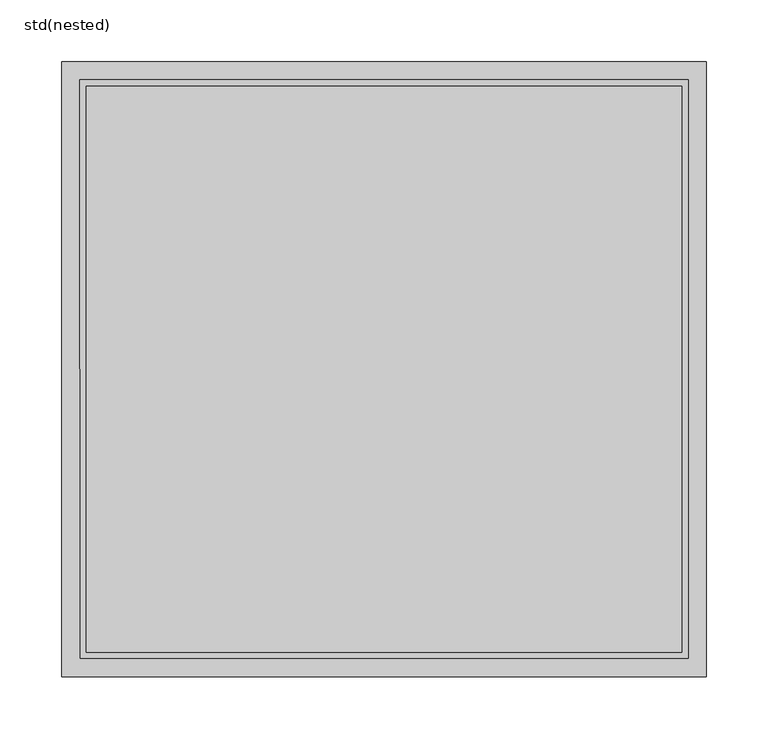
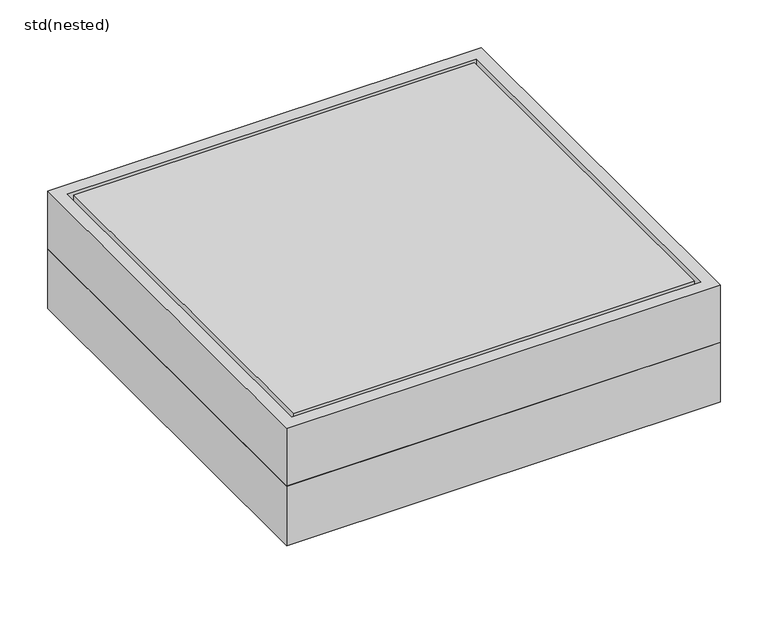
"""IFC4 building model written with IfcOpenShell, lengths in millimetres: sanitary terminal geometry, std(nested)."""

from ifc_helpers import new_model, si_unit, point, frame, origin, origin_2d, place, context, project, spatial, polyline, circle_curve, trimmed, segment, composite_curve, outline, extrude, source, transform, mapped, element, save
from ifc_brep_helpers import plane_surface, cylinder_surface, revolved_surface, advanced_brep


def std_nested_9fcddc13(model_context):
    return source(origin(), model_context, "Body", "SolidModel", [
        extrude(outline(polyline([(-262.0, 250.0), (262.0, 250.0), (262.0, -250.0), (-262.0, -250.0), (-262.0, 250.0)]), holes=[composite_curve([segment(trimmed(circle_curve(origin_2d(), 184.0), [point((184.0, 0.0))], [point((-184.0, 0.0))], True, "CARTESIAN"), True, "CONTINUOUS"), segment(trimmed(circle_curve(origin_2d(), 184.0), [point((-184.0, 0.0))], [point((184.0, 0.0))], True, "CARTESIAN"), True, "CONTINUOUS")], self_intersect=False)]), frame((0.0, 0.0, -150.0), z_axis=(0.0, 0.0, 1.0), x_axis=(1.0, 0.0, 0.0)), (0.0, 0.0, 1.0), 76.0),
        advanced_brep(
        [(184.0, 0.0, -180.0), (-184.0, 0.0, -180.0), (175.5, 0.0, -180.0), (-175.5, 0.0, -180.0), (-175.5, 0.0, -150.0), (175.5, 0.0, -150.0), (-184.0, 0.0, -150.0), (184.0, 0.0, -150.0), (-175.5, 0.0, -74.0), (175.5, 0.0, -74.0), (-184.0, 0.0, -74.0), (184.0, 0.0, -74.0)],
        [
            (0, 1, circle_curve(frame((0.0, 0.0, -180.0), z_axis=(0.0, 0.0, -1.0), x_axis=(-1.0, 0.0, 0.0)), 184.0)),
            (1, 0, circle_curve(frame((0.0, 0.0, -180.0), z_axis=(0.0, 0.0, -1.0), x_axis=(-1.0, 0.0, 0.0)), 184.0)),
            (2, 3, circle_curve(frame((0.0, 0.0, -180.0), z_axis=(0.0, 0.0, 1.0), x_axis=(-1.0, 0.0, 0.0)), 175.5)),
            (3, 2, circle_curve(frame((0.0, 0.0, -180.0), z_axis=(0.0, 0.0, 1.0), x_axis=(-1.0, 0.0, 0.0)), 175.5)),
            (3, 4),
            (4, 5, circle_curve(frame((0.0, 0.0, -150.0), z_axis=(0.0, 0.0, 1.0), x_axis=(-1.0, 0.0, 0.0)), 175.5)),
            (5, 2),
            (5, 4, circle_curve(frame((0.0, 0.0, -150.0), z_axis=(0.0, 0.0, 1.0), x_axis=(-1.0, 0.0, 0.0)), 175.5)),
            (1, 6),
            (6, 7, circle_curve(frame((0.0, 0.0, -150.0), z_axis=(0.0, 0.0, -1.0), x_axis=(-1.0, 0.0, 0.0)), 184.0)),
            (7, 0),
            (7, 6, circle_curve(frame((0.0, 0.0, -150.0), z_axis=(0.0, 0.0, -1.0), x_axis=(-1.0, 0.0, 0.0)), 184.0)),
            (8, 9, circle_curve(frame((0.0, 0.0, -74.0), z_axis=(0.0, 0.0, 1.0), x_axis=(-1.0, 0.0, 0.0)), 175.5)),
            (9, 5),
            (4, 8),
            (9, 8, circle_curve(frame((0.0, 0.0, -74.0), z_axis=(0.0, 0.0, 1.0), x_axis=(-1.0, 0.0, 0.0)), 175.5)),
            (10, 11, circle_curve(frame((0.0, 0.0, -74.0), z_axis=(0.0, 0.0, -1.0), x_axis=(-1.0, 0.0, 0.0)), 184.0)),
            (11, 7),
            (6, 10),
            (11, 10, circle_curve(frame((0.0, 0.0, -74.0), z_axis=(0.0, 0.0, -1.0), x_axis=(-1.0, 0.0, 0.0)), 184.0)),
        ],
        [
            plane_surface(frame((-175.5, 0.0, -180.0), z_axis=(0.0, 0.0, -1.0), x_axis=(0.0, -1.0, 0.0))),
            revolved_surface(polyline([(-175.5, 0.0, -180.0), (-175.5, 0.0, -150.0)]), (0.0, 0.0, -180.0), (0.0, 0.0, -1.0)),
            cylinder_surface(frame((0.0, 0.0, -150.0), z_axis=(0.0, 0.0, 1.0), x_axis=(-1.0, 0.0, 0.0)), 184.0),
            revolved_surface(polyline([(-175.5, 0.0, -150.0), (-175.5, 0.0, -74.0)]), (0.0, 0.0, -150.0), (0.0, 0.0, -1.0)),
            plane_surface(frame((-175.5, 0.0, -74.0), z_axis=(0.0, 0.0, 1.0), x_axis=(0.0, 1.0, 0.0))),
        ],
        [
            (0, [[1, 2], [3, 4]]),
            (1, [[-4, 5, 6, 7]]),
            (1, [[-3, -7, 8, -5]]),
            (2, [[-2, 9, 10, 11]]),
            (2, [[-1, -11, 12, -9]]),
            (3, [[13, 14, -6, 15]]),
            (3, [[16, -15, -8, -14]]),
            (2, [[17, 18, -10, 19]]),
            (2, [[20, -19, -12, -18]]),
            (4, [[-17, -20], [-13, -16]]),
        ],
    ),
        extrude(outline(polyline([(262.0, 250.0), (262.0, -250.0), (-262.0, -250.0), (-262.0, 250.0), (262.0, 250.0)]), holes=[polyline([(247.0, 235.0), (-247.0, 235.0), (-247.0, -235.0), (247.0, -235.0), (247.0, 235.0)])]), frame((0.0, 0.0, -75.0), z_axis=(0.0, 0.0, 1.0), x_axis=(1.0, 0.0, 0.0)), (0.0, 0.0, 1.0), 75.0),
        extrude(outline(polyline([(242.0, 230.0), (242.0, -230.0), (-242.0, -230.0), (-242.0, 230.0), (242.0, 230.0)])), frame((0.0, 0.0, -75.0), z_axis=(0.0, 0.0, 1.0), x_axis=(1.0, 0.0, 0.0)), (0.0, 0.0, 1.0), 75.0),
    ])


if __name__ == "__main__":
    model = new_model("IFC4")
    model_context = context("Model", 3, world=origin())
    ifc_project = project(units=[si_unit("LENGTHUNIT", "METRE", prefix="MILLI")], contexts=[model_context])
    site = spatial("IfcSite", under=ifc_project)
    building = spatial("IfcBuilding", under=site)
    placement = place(None, origin())
    std_nested_shape = std_nested_9fcddc13(model_context)
    element("IfcSanitaryTerminal", 1, ObjectType="std(nested)", at=placement, inside=building, context=model_context, shape_type="MappedRepresentation", body=[
        mapped(std_nested_shape, transform((0.0, 0.0, 0.0), x_axis=(1.0, 0.0, 0.0), y_axis=(0.0, 1.0, 0.0), z_axis=(0.0, 0.0, 1.0))),
    ])
    save(model, "model.ifc")
